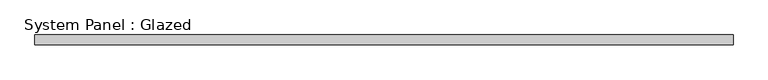
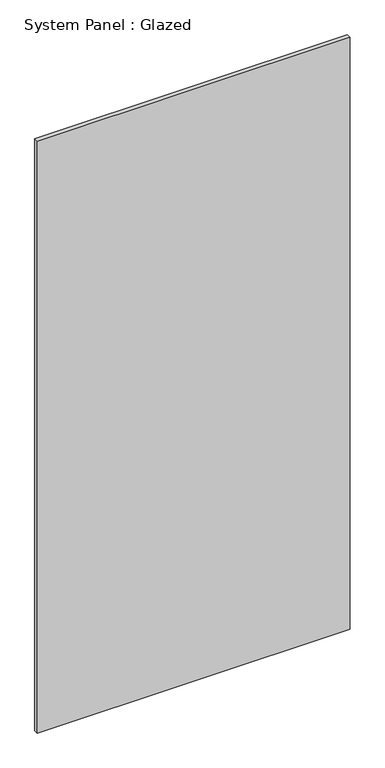
"""IFC4 building model written with IfcOpenShell, lengths in millimetres: plate geometry, System Panel : Glazed."""

from ifc_helpers import new_model, si_unit, origin, origin_with_axes, place, context, project, spatial, polyline, outline, extrude, source, transform, mapped, element, save


def system_panel_glazed_5fcce228(model_context):
    return source(origin(), model_context, "Body", "SweptSolid", [
        extrude(outline(polyline([(914.4000002, 19.05), (-914.4000002, 19.05), (-914.4000002, 44.45), (914.4000002, 44.45), (914.4000002, 19.05)])), origin_with_axes(), (0.0, 0.0, 1.0), 3657.6),
    ])


if __name__ == "__main__":
    model = new_model("IFC4")
    model_context = context("Model", 3, world=origin())
    ifc_project = project(units=[si_unit("LENGTHUNIT", "METRE", prefix="MILLI")], contexts=[model_context])
    site = spatial("IfcSite", under=ifc_project)
    building = spatial("IfcBuilding", under=site)
    placement = place(None, origin())
    system_panel_glazed_shape = system_panel_glazed_5fcce228(model_context)
    element("IfcPlate", 1, ObjectType="System Panel : Glazed", at=placement, inside=building, context=model_context, shape_type="MappedRepresentation", body=[
        mapped(system_panel_glazed_shape, transform((0.0, 0.0, 0.0), x_axis=(1.0, 0.0, 0.0), y_axis=(0.0, 1.0, 0.0), z_axis=(0.0, 0.0, 1.0))),
    ])
    save(model, "model.ifc")
